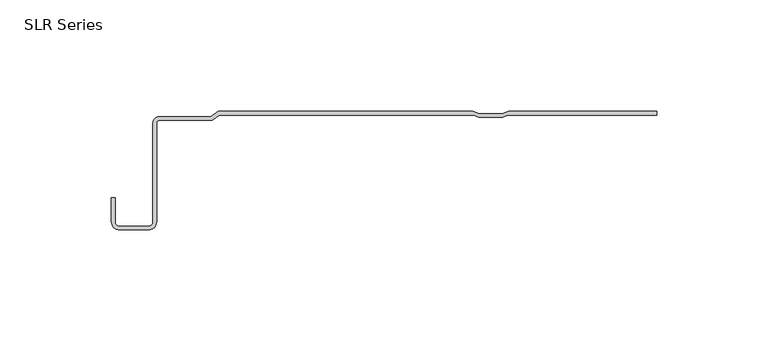
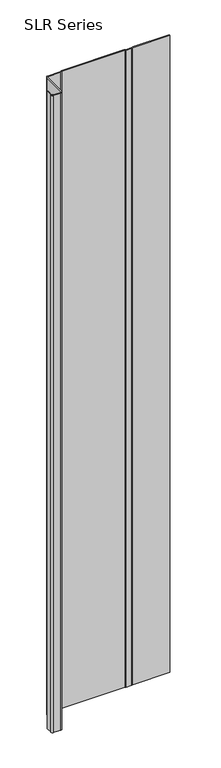
"""IFC4 building model written with IfcOpenShell, lengths in millimetres: plate geometry, SLR Series."""

from ifc_helpers import new_model, si_unit, point, frame_2d, origin, origin_with_axes, place, context, project, spatial, polyline, circle_curve, trimmed, segment, composite_curve, outline, extrude, source, transform, mapped, element, save


def slr_series_6a128303(model_context):
    return source(origin(), model_context, "Body", "SweptSolid", [
        extrude(outline(composite_curve([segment(polyline([(31.7808863, -1.6177749), (-82.31347, -1.6177749), (-85.5347033, -4.0336999), (-109.3085979, -4.0336999)]), True, "CONTINUOUS"), segment(trimmed(circle_curve(frame_2d((-109.3085979, -5.1897647)), 1.1560648), [point((-109.3085979, -4.0336999))], [point((-110.4646627, -5.1897647))], True, "CARTESIAN"), True, "CONTINUOUS"), segment(polyline([(-110.4646627, -5.1897647), (-110.4646627, -49.4817223)]), True, "CONTINUOUS"), segment(trimmed(circle_curve(frame_2d((-114.1404478, -49.4817223)), 3.6757851), [point((-110.4646627, -49.4817223))], [point((-114.1404478, -53.1575073))], False, "CARTESIAN"), True, "CONTINUOUS"), segment(polyline([(-114.1404478, -53.1575073), (-127.0253809, -53.1575073)]), True, "CONTINUOUS"), segment(trimmed(circle_curve(frame_2d((-127.0253809, -49.4817223)), 3.6757851), [point((-127.0253809, -53.1575073))], [point((-130.701166, -49.4817223))], False, "CARTESIAN"), True, "CONTINUOUS"), segment(polyline([(-130.701166, -49.4817223), (-130.701166, -38.6547993), (-129.0833911, -38.6547993), (-129.0833911, -49.4817223)]), True, "CONTINUOUS"), segment(trimmed(circle_curve(frame_2d((-127.0253809, -49.4817223)), 2.0580101), [point((-129.0833911, -49.4817223))], [point((-127.0253809, -51.5397324))], True, "CARTESIAN"), True, "CONTINUOUS"), segment(polyline([(-127.0253809, -51.5397324), (-114.1404478, -51.5397324)]), True, "CONTINUOUS"), segment(trimmed(circle_curve(frame_2d((-114.1404478, -49.4817223)), 2.0580101), [point((-114.1404478, -51.5397324))], [point((-112.0824377, -49.4817223))], True, "CARTESIAN"), True, "CONTINUOUS"), segment(polyline([(-112.0824377, -49.4817223), (-112.0824377, -5.1897647)]), True, "CONTINUOUS"), segment(trimmed(circle_curve(frame_2d((-109.3085979, -5.1897647)), 2.7738398), [point((-112.0824377, -5.1897647))], [point((-109.3085979, -2.415925))], False, "CARTESIAN"), True, "CONTINUOUS"), segment(polyline([(-109.3085979, -2.415925), (-86.0739616, -2.415925), (-82.8527283, 0.0), (31.5217071, 0.0), (34.3463562, -1.1298596), (44.6669455, -1.1298596), (47.4915946, 0.0), (113.9042607, 0.0), (113.9042607, -1.6177749), (47.2324154, -1.6177749), (44.8612233, -2.5662518), (34.1520784, -2.5662518), (31.7808863, -1.6177749)]), True, "CONTINUOUS")], self_intersect=False)), origin_with_axes(), (0.0, 0.0, 1.0), 1228.3559792),
    ])


if __name__ == "__main__":
    model = new_model("IFC4")
    model_context = context("Model", 3, world=origin())
    ifc_project = project(units=[si_unit("LENGTHUNIT", "METRE", prefix="MILLI")], contexts=[model_context])
    site = spatial("IfcSite", under=ifc_project)
    building = spatial("IfcBuilding", under=site)
    placement = place(None, origin())
    slr_series_shape = slr_series_6a128303(model_context)
    element("IfcPlate", 1, ObjectType="SLR Series", at=placement, inside=building, context=model_context, shape_type="MappedRepresentation", body=[
        mapped(slr_series_shape, transform((0.0, 0.0, 0.0), x_axis=(1.0, 0.0, 0.0), y_axis=(0.0, 1.0, 0.0), z_axis=(0.0, 0.0, 1.0))),
    ])
    save(model, "model.ifc")
